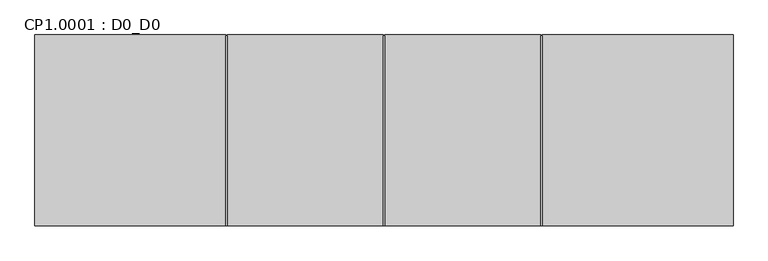
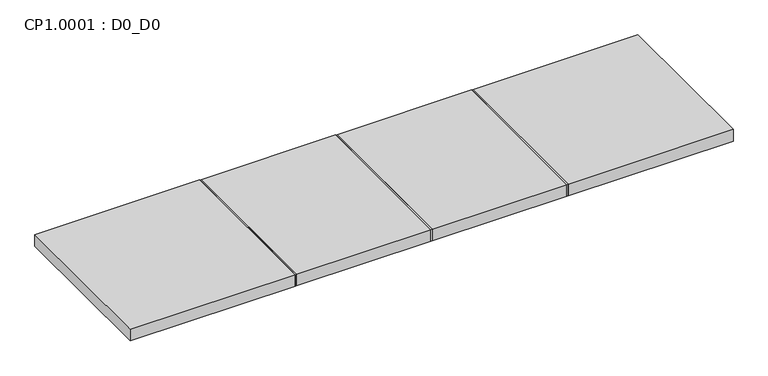
"""IFC4 building model written with IfcOpenShell, lengths in millimetres: proxy geometry, CP1.0001 : D0_D0."""

from ifc_helpers import new_model, si_unit, origin, origin_with_axes, place, context, project, spatial, polyline, outline, extrude, source, transform, mapped, element, save


def cp1_0001_d0_d0_8ccab972(model_context):
    return source(origin(), model_context, "Body", "SweptSolid", [
        extrude(outline(polyline([(-2220.0, 1997.5), (-2220.0, 1330.0), (-2225.0, 1330.0), (-2225.0, 1997.5), (-2220.0, 1997.5)])), origin_with_axes(), (0.0, 0.0, 1.0), 50.0),
        extrude(outline(polyline([(-2772.5, 1997.5), (-2772.5, 1330.0), (-2777.5, 1330.0), (-2777.5, 1997.5), (-2772.5, 1997.5)])), origin_with_axes(), (0.0, 0.0, 1.0), 50.0),
        extrude(outline(polyline([(-3325.0, 1997.5), (-3325.0, 1330.0), (-3330.0, 1330.0), (-3330.0, 1997.5), (-3325.0, 1997.5)])), origin_with_axes(), (0.0, 0.0, 1.0), 50.0),
        extrude(outline(polyline([(-1550.0, 2000.0), (-1550.0, 1330.0), (-2220.0, 1330.0), (-2220.0, 2000.0), (-1550.0, 2000.0)])), origin_with_axes(), (0.0, 0.0, 1.0), 50.0),
        extrude(outline(polyline([(-2225.0, 2000.0), (-2225.0, 1330.0), (-2772.5, 1330.0), (-2772.5, 2000.0), (-2225.0, 2000.0)])), origin_with_axes(), (0.0, 0.0, 1.0), 50.0),
        extrude(outline(polyline([(-2777.5, 2000.0), (-2777.5, 1330.0), (-3325.0, 1330.0), (-3325.0, 2000.0), (-2777.5, 2000.0)])), origin_with_axes(), (0.0, 0.0, 1.0), 50.0),
        extrude(outline(polyline([(-3330.0, 2000.0), (-3330.0, 1330.0), (-4000.0, 1330.0), (-4000.0, 2000.0), (-3330.0, 2000.0)])), origin_with_axes(), (0.0, 0.0, 1.0), 50.0),
    ])


if __name__ == "__main__":
    model = new_model("IFC4")
    model_context = context("Model", 3, world=origin())
    ifc_project = project(units=[si_unit("LENGTHUNIT", "METRE", prefix="MILLI")], contexts=[model_context])
    site = spatial("IfcSite", under=ifc_project)
    building = spatial("IfcBuilding", under=site)
    placement = place(None, origin())
    cp1_0001_d0_d0_shape = cp1_0001_d0_d0_8ccab972(model_context)
    element("IfcBuildingElementProxy", 1, Name="CP1.0001 : D0_D0", ObjectType="CP1.0001 : D0_D0", at=placement, inside=building, context=model_context, shape_type="MappedRepresentation", body=[
        mapped(cp1_0001_d0_d0_shape, transform((0.0, 0.0, 0.0), x_axis=(1.0, 0.0, 0.0), y_axis=(0.0, 1.0, 0.0), z_axis=(0.0, 0.0, 1.0))),
    ])
    save(model, "model.ifc")
